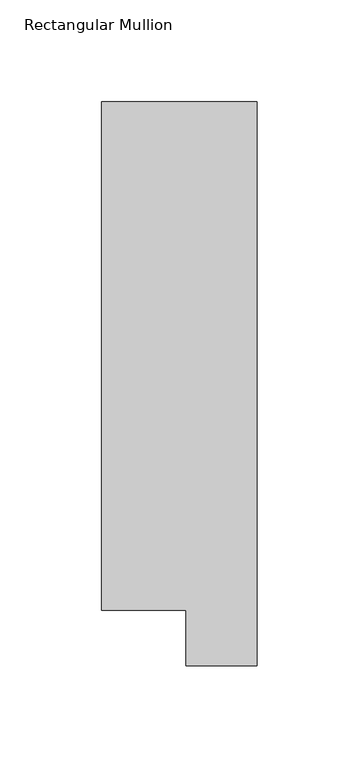
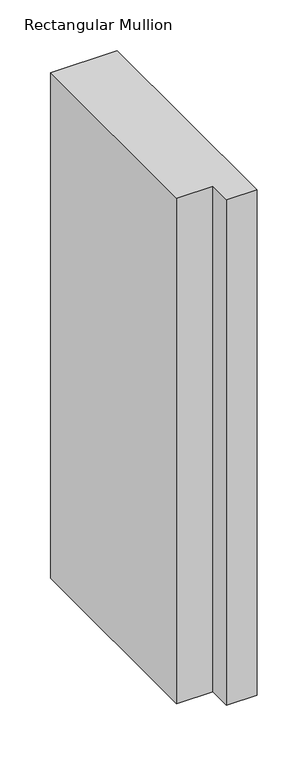
"""IFC4 building model written with IfcOpenShell, lengths in millimetres: member geometry, Rectangular Mullion."""

from ifc_helpers import new_model, si_unit, frame, origin, place, context, project, spatial, polyline, outline, extrude, source, transform, mapped, element, save


def rectangular_mullion_20520ef0(model_context):
    return source(origin(), model_context, "Body", "SweptSolid", [
        extrude(outline(polyline([(-3.3e-06, 295.9695326), (0.0, 19.5667326), (-34.9123, 19.5667322), (-34.9123003, 46.7447311), (-76.2000003, 46.7447306), (-76.2000033, 295.9695317), (-3.3e-06, 295.9695326)])), frame((0.0, 0.0, -609.56825), z_axis=(0.0, 0.0, 1.0), x_axis=(1.0, 0.0, 0.0)), (0.0, 0.0, 1.0), 609.56825),
    ])


if __name__ == "__main__":
    model = new_model("IFC4")
    model_context = context("Model", 3, world=origin())
    ifc_project = project(units=[si_unit("LENGTHUNIT", "METRE", prefix="MILLI")], contexts=[model_context])
    site = spatial("IfcSite", under=ifc_project)
    building = spatial("IfcBuilding", under=site)
    placement = place(None, origin())
    rectangular_mullion_shape = rectangular_mullion_20520ef0(model_context)
    element("IfcMember", 1, ObjectType="Rectangular Mullion", at=placement, inside=building, context=model_context, shape_type="MappedRepresentation", body=[
        mapped(rectangular_mullion_shape, transform((0.0, 0.0, 0.0), x_axis=(1.0, 0.0, 0.0), y_axis=(0.0, 1.0, 0.0), z_axis=(0.0, 0.0, 1.0))),
    ])
    save(model, "model.ifc")
